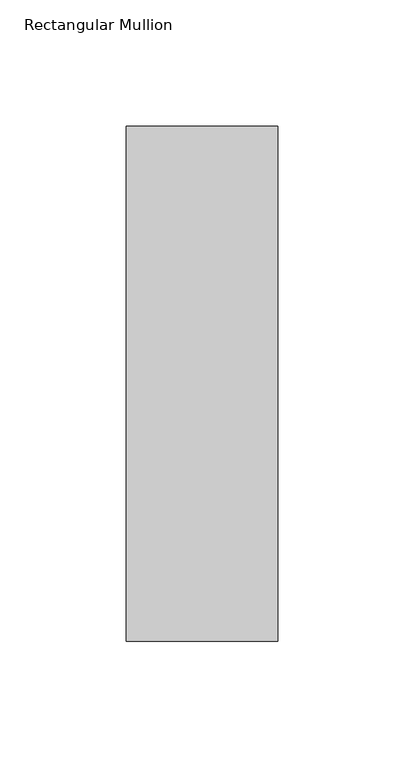
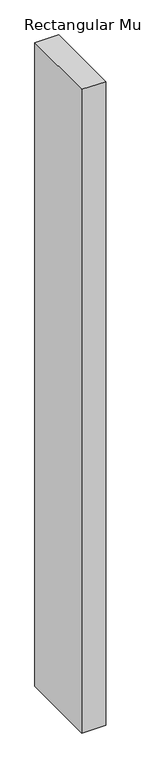
"""IFC4 building model written with IfcOpenShell, lengths in millimetres: member geometry, Rectangular Mullion."""

from ifc_helpers import new_model, si_unit, frame, origin, place, context, project, spatial, polyline, outline, extrude, source, transform, mapped, element, save


def rectangular_mullion_376a0e8a(model_context):
    return source(origin(), model_context, "Body", "SweptSolid", [
        extrude(outline(polyline([(30.0, 167.525), (30.0, -36.525), (-30.0, -36.525), (-30.0, 167.525), (30.0, 167.525)])), frame((0.0, 0.0, -1708.8912252), z_axis=(0.0, 0.0, 1.0), x_axis=(1.0, 0.0, 0.0)), (0.0, 0.0, 1.0), 1708.8912252),
    ])


if __name__ == "__main__":
    model = new_model("IFC4")
    model_context = context("Model", 3, world=origin())
    ifc_project = project(units=[si_unit("LENGTHUNIT", "METRE", prefix="MILLI")], contexts=[model_context])
    site = spatial("IfcSite", under=ifc_project)
    building = spatial("IfcBuilding", under=site)
    placement = place(None, origin())
    rectangular_mullion_shape = rectangular_mullion_376a0e8a(model_context)
    element("IfcMember", 1, ObjectType="Rectangular Mullion", at=placement, inside=building, context=model_context, shape_type="MappedRepresentation", body=[
        mapped(rectangular_mullion_shape, transform((0.0, 0.0, 0.0), x_axis=(1.0, 0.0, 0.0), y_axis=(0.0, 1.0, 0.0), z_axis=(0.0, 0.0, 1.0))),
    ])
    save(model, "model.ifc")
